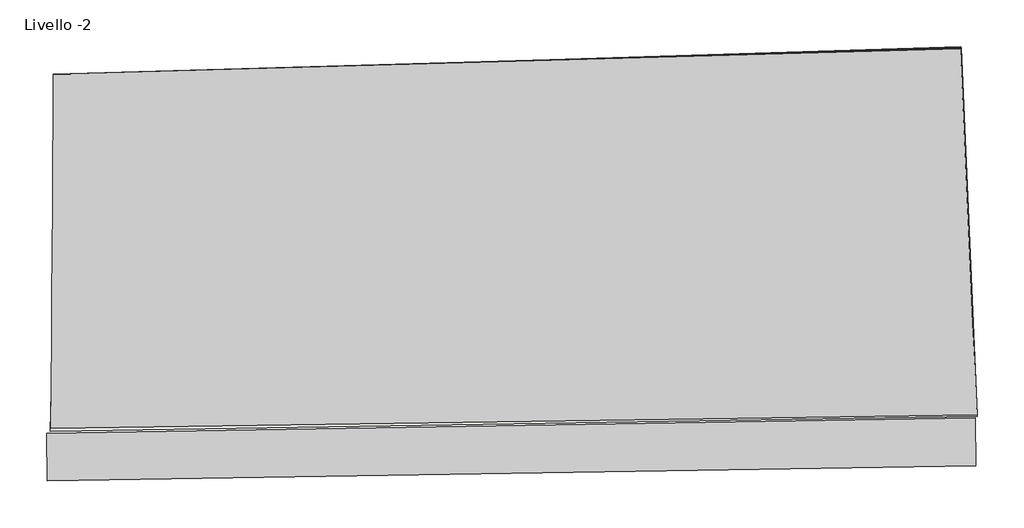
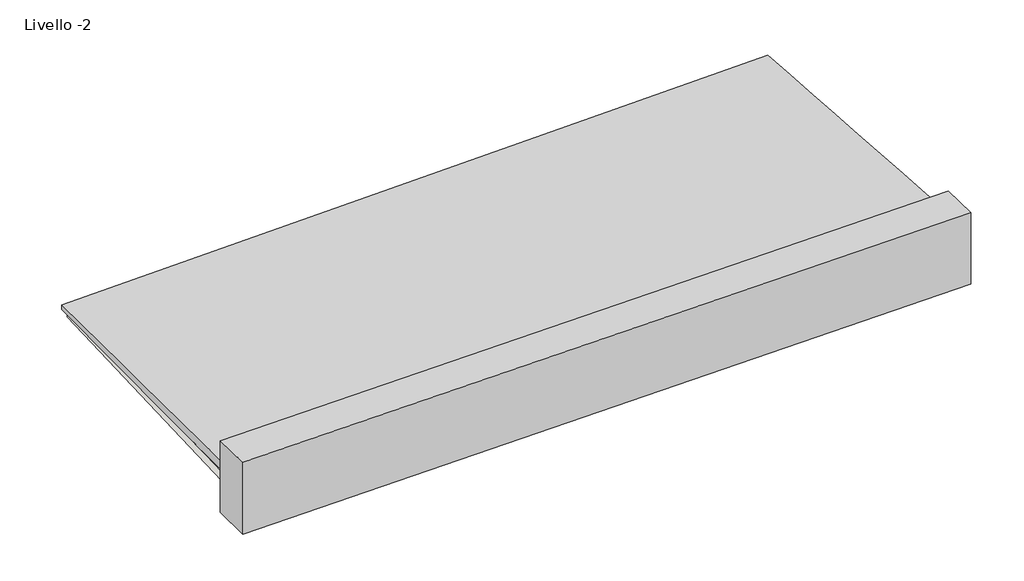
# One storey, part 3 of 3: 2 beams, 1 proxy, 1 slab.
"""IFC4 building model written with IfcOpenShell, lengths in millimetres."""

from ifc_helpers import new_model, si_unit, point, frame, frame_2d, origin, place, context, project, spatial, polyline, circle_curve, trimmed, segment, composite_curve, outline, extrude, element, save
from ifc_brep_helpers import plane_surface, spline_surface, advanced_brep

model = new_model("IFC4")

# Units and contexts
model_context = context("Model", 3, world=origin())
ifc_project = project(units=[si_unit("LENGTHUNIT", "METRE", prefix="MILLI")], contexts=[model_context])

# Site, building, storey
site = spatial("IfcSite", under=ifc_project)
building = spatial("IfcBuilding", under=site)
storey = spatial("IfcBuildingStorey", under=building, Name="Livello -2", Elevation=-3950.0)

# Beams
placement = place(None, origin())
element("IfcBeam", 1, ObjectType="Cemento - Trave rettangolare : 100x100", at=placement, inside=storey, context=model_context, shape_type="SweptSolid", body=[
    extrude(outline(polyline([(832.2307444, 1793.9713181), (732.2307444, 1793.9713181), (732.2307444, 3959.3713181), (832.2307444, 3959.3713181), (832.2307444, 1793.9713181)])), frame((0.0, 0.0, -3910.0), z_axis=(0.0, 0.0, 1.0), x_axis=(1.0, 0.0, 0.0)), (0.0, 0.0, 1.0), 100.0),
])
element("IfcBeam", 2, ObjectType="Cemento - Trave rettangolare : 400 x 800 mm", at=placement, inside=storey, context=model_context, shape_type="SweptSolid", body=[
    extrude(outline(polyline([(-1997.2081819, 1134.2816672), (-2003.6824261, 1534.2292689), (5739.2760926, 1659.5701991), (5745.7503368, 1259.6225974), (-1997.2081819, 1134.2816672)])), frame((0.0, 0.0, -4100.0), z_axis=(0.0, 0.0, 1.0), x_axis=(1.0, 0.0, 0.0)), (0.0, 0.0, 1.0), 800.0),
])

# Proxy
element("IfcBuildingElementProxy", 3, Name="Massetto : Massetto", ObjectType="Massetto : Massetto", at=placement, inside=storey, context=model_context, shape_type="AdvancedBrep", body=[
    advanced_brep(
    [(-1966.9630225, 1573.9690963, -3570.0), (-1966.9630225, 1573.9690963, -3670.0), (5756.1442007, 1685.212168, -3670.0), (5756.1442007, 1685.212168, -3570.0), (-1945.772824, 4530.7379973, -3670.0), (5621.9085828, 4752.8451036, -3684.7840644), (-1945.772824, 4530.7379973, -3620.0), (5617.7075048, 4744.474698, -3611.4744674)],
    [
        (0, 1),
        (1, 2),
        (2, 3),
        (3, 0),
        (1, 4),
        (4, 5),
        (5, 2),
        (4, 6),
        (6, 7),
        (7, 5),
        (6, 0),
        (3, 7),
    ],
    [
        plane_surface(frame((-1966.9630225, 1573.9690963, -3620.0), z_axis=(0.01440243289222065, -0.9998962795844303, 0.0), x_axis=(0.0, 0.0, -1.0))),
        spline_surface(1, 1, [[(-1966.9630225, 1573.9690963, -3670.0), (5756.1442007, 1685.212168, -3670.0)], [(-1945.772824, 4530.7379973, -3670.0), (5621.9085828, 4752.8451036, -3684.7840644)]], [2, 2], [2, 2], [0.0, 1.0], [0.0, 1.0]),
        spline_surface(1, 1, [[(-1945.772824, 4530.7379973, -3670.0), (5621.9085828, 4752.8451036, -3684.7840644)], [(-1945.772824, 4530.7379973, -3620.0), (5617.7075048, 4744.474698, -3611.4744674)]], [2, 2], [2, 2], [0.0, 1.0], [0.0, 1.0]),
        spline_surface(1, 1, [[(-1945.772824, 4530.7379973, -3620.0), (5617.7075048, 4744.474698, -3611.4744674)], [(-1966.9630225, 1573.9690963, -3570.0), (5756.1442007, 1685.212168, -3570.0)]], [2, 2], [2, 2], [0.0, 1.0], [0.0, 1.0]),
        spline_surface(1, 1, [[(5756.1442007, 1685.212168, -3670.0), (5756.1442007, 1685.212168, -3570.0)], [(5621.9085828, 4752.8451036, -3684.7840644), (5617.7075048, 4744.474698, -3611.4744674)]], [2, 2], [2, 2], [0.0, 1.0], [0.0, 1.0]),
        plane_surface(frame((-1956.3679232, 3052.3535468, -3632.5), z_axis=(-0.9999743203819308, 0.007166489844796636, 0.0), x_axis=(0.007165465452490581, 0.9998313820645346, -0.016907499630984944))),
    ],
    [
        (0, [[1, 2, 3, 4]]),
        (1, [[5, 6, 7, -2]]),
        (2, [[8, 9, 10, -6]]),
        (3, [[11, -4, 12, -9]]),
        (4, [[-3, -7, -10, -12]]),
        (5, [[-11, -8, -5, -1]]),
    ],
),
])

# Slab
element("IfcSlab", 4, ObjectType="isolante", at=placement, inside=storey, context=model_context, shape_type="SweptSolid", body=[
    extrude(outline(composite_curve([segment(polyline([(5758.9921057, 1674.0984686), (-1974.2718186, 1548.9144719), (-1896.594091, 4521.5564575)]), True, "CONTINUOUS"), segment(trimmed(circle_curve(frame_2d((-6885.1365948, 279020.5097531)), 274544.2786085), [point((-1896.594091, 4521.5564575))], [point((5618.2569395, 4761.0959369))], True, "CARTESIAN"), True, "CONTINUOUS"), segment(polyline([(5618.2569395, 4761.0959369), (5758.9921057, 1674.0984686)]), True, "CONTINUOUS")], self_intersect=False)), frame((0.0, 0.0, -3770.0), z_axis=(0.0, 0.0, 1.0), x_axis=(1.0, 0.0, 0.0)), (0.0, 0.0, 1.0), 100.0),
])

save(model, "model.ifc")
